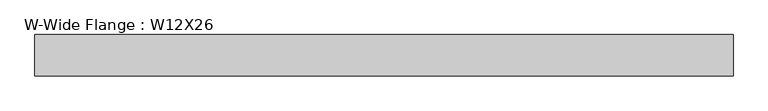
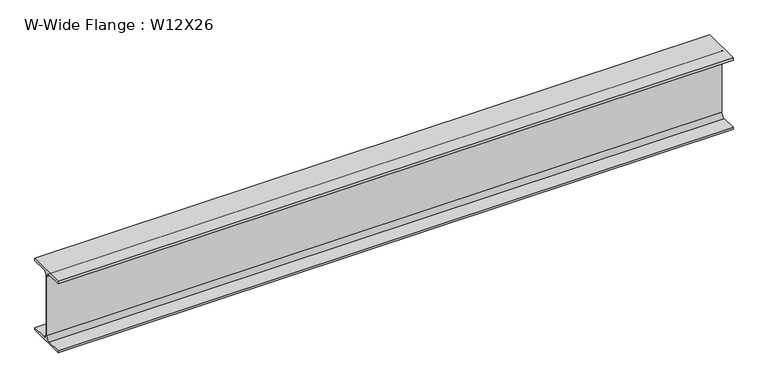
"""IFC4 building model written with IfcOpenShell, lengths in millimetres: beam geometry, W-Wide Flange : W12X26."""

from ifc_helpers import new_model, si_unit, point, frame, frame_2d, origin, place, context, project, spatial, polyline, circle_curve, trimmed, segment, composite_curve, outline, extrude, source, transform, mapped, element, save


def w_wide_flange_w12x26_761db05c(model_context):
    return source(origin(), model_context, "Body", "SweptSolid", [
        extrude(outline(composite_curve([segment(polyline([(-82.4011719, -145.5539063), (-20.2902344, -145.5539063)]), True, "CONTINUOUS"), segment(trimmed(circle_curve(frame_2d((-20.2902344, -128.190625)), 17.3632812), [point((-20.2902344, -145.5539063))], [point((-2.9269531, -128.190625))], True, "CARTESIAN"), True, "CONTINUOUS"), segment(polyline([(-2.9269531, -128.190625), (-2.9269531, 128.190625)]), True, "CONTINUOUS"), segment(trimmed(circle_curve(frame_2d((-20.2902344, 128.190625)), 17.3632812), [point((-2.9269531, 128.190625))], [point((-20.2902344, 145.5539062))], True, "CARTESIAN"), True, "CONTINUOUS"), segment(polyline([(-20.2902344, 145.5539062), (-82.4011719, 145.5539062), (-82.4011719, 155.178125), (82.4011719, 155.178125), (82.4011719, 145.5539062), (20.2902344, 145.5539062)]), True, "CONTINUOUS"), segment(trimmed(circle_curve(frame_2d((20.2902344, 128.190625)), 17.3632812), [point((20.2902344, 145.5539062))], [point((2.9269531, 128.190625))], True, "CARTESIAN"), True, "CONTINUOUS"), segment(polyline([(2.9269531, 128.190625), (2.9269531, -128.190625)]), True, "CONTINUOUS"), segment(trimmed(circle_curve(frame_2d((20.2902344, -128.190625)), 17.3632812), [point((2.9269531, -128.190625))], [point((20.2902344, -145.5539063))], True, "CARTESIAN"), True, "CONTINUOUS"), segment(polyline([(20.2902344, -145.5539063), (82.4011719, -145.5539063), (82.4011719, -155.178125), (-82.4011719, -155.178125), (-82.4011719, -145.5539063)]), True, "CONTINUOUS")], self_intersect=False)), frame((-1468.3247579, 0.0, 0.0), z_axis=(1.0, 0.0, 0.0), x_axis=(0.0, 1.0, 0.0)), (0.0, 0.0, 1.0), 2770.223586),
    ])


if __name__ == "__main__":
    model = new_model("IFC4")
    model_context = context("Model", 3, world=origin())
    ifc_project = project(units=[si_unit("LENGTHUNIT", "METRE", prefix="MILLI")], contexts=[model_context])
    site = spatial("IfcSite", under=ifc_project)
    building = spatial("IfcBuilding", under=site)
    placement = place(None, origin())
    w_wide_flange_w12x26_shape = w_wide_flange_w12x26_761db05c(model_context)
    element("IfcBeam", 1, ObjectType="W-Wide Flange : W12X26", at=placement, inside=building, context=model_context, shape_type="MappedRepresentation", body=[
        mapped(w_wide_flange_w12x26_shape, transform((0.0, 0.0, 0.0), x_axis=(1.0, 0.0, 0.0), y_axis=(0.0, 1.0, 0.0), z_axis=(0.0, 0.0, 1.0))),
    ])
    save(model, "model.ifc")
